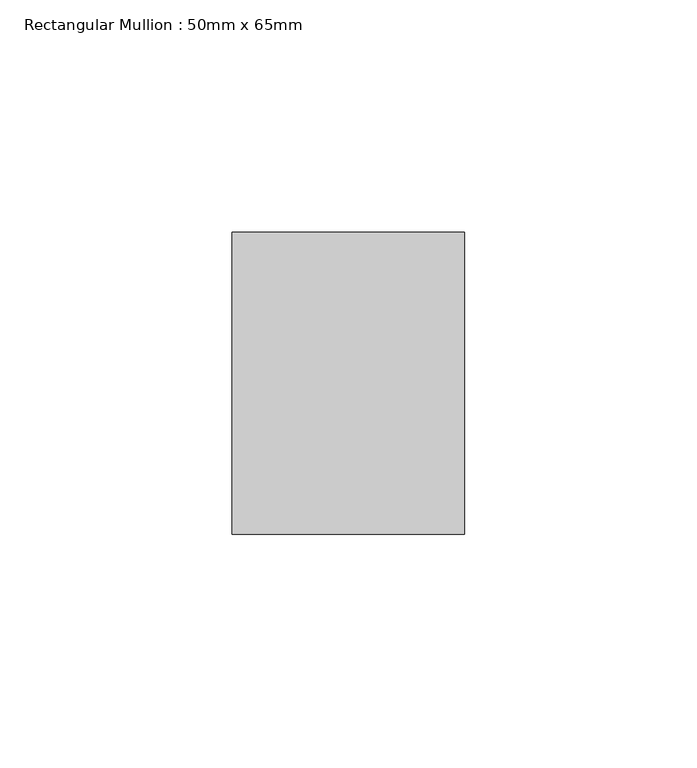
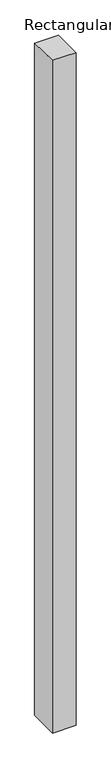
"""IFC4 building model written with IfcOpenShell, lengths in millimetres: member geometry, Rectangular Mullion : 50mm x 65mm."""

from ifc_helpers import new_model, si_unit, origin, place, context, project, spatial, faceted_brep, source, transform, mapped, element, save


def rectangular_mullion_50mm_x_65mm_0354fb38(model_context):
    return source(origin(), model_context, "Body", "Brep", [
        faceted_brep([(-25.0, 32.5, -0.4073259), (25.0, 32.5, -0.4073273), (25.0, 32.5, -1499.6946434), (-25.0, 32.5, -1499.6946444), (-25.0, -32.5, 0.4073273), (-25.0, -32.5, -1500.3060933), (25.0, -32.5, 0.4073259), (25.0, -32.5, -1500.3060923)], [[[0, 1, 2, 3]], [[4, 0, 3, 5]], [[6, 4, 5, 7]], [[1, 6, 7, 2]], [[1, 0, 4, 6]], [[2, 7, 5, 3]]]),
    ])


if __name__ == "__main__":
    model = new_model("IFC4")
    model_context = context("Model", 3, world=origin())
    ifc_project = project(units=[si_unit("LENGTHUNIT", "METRE", prefix="MILLI")], contexts=[model_context])
    site = spatial("IfcSite", under=ifc_project)
    building = spatial("IfcBuilding", under=site)
    placement = place(None, origin())
    rectangular_mullion_50mm_x_65mm_shape = rectangular_mullion_50mm_x_65mm_0354fb38(model_context)
    element("IfcMember", 1, ObjectType="Rectangular Mullion : 50mm x 65mm", at=placement, inside=building, context=model_context, shape_type="MappedRepresentation", body=[
        mapped(rectangular_mullion_50mm_x_65mm_shape, transform((0.0, 0.0, 0.0), x_axis=(1.0, 0.0, 0.0), y_axis=(0.0, 1.0, 0.0), z_axis=(0.0, 0.0, 1.0))),
    ])
    save(model, "model.ifc")
